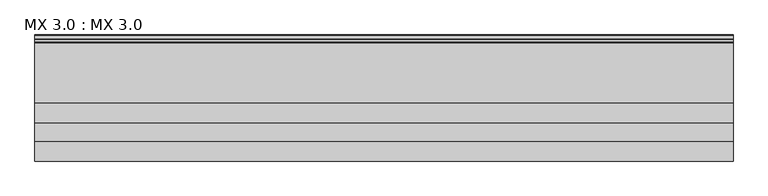
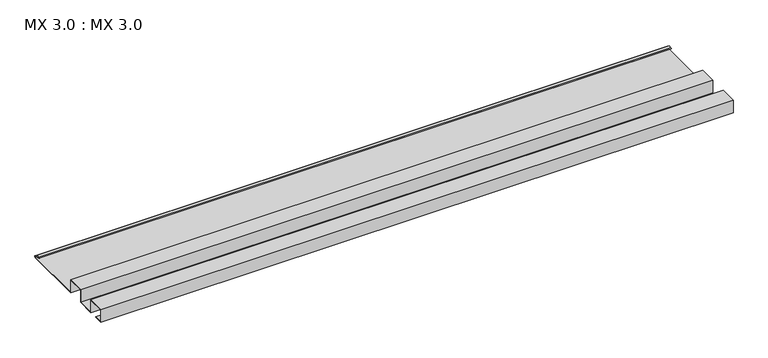
"""IFC4 building model written with IfcOpenShell, lengths in millimetres: proxy geometry, MX 3.0 : MX 3.0."""

import ifcopenshell
import ifcopenshell.guid

model = None  # the IFC model being written
_history = None  # IfcOwnerHistory: only IFC2X3 demands one
_inside = {}  # id of a spatial element -> (the spatial element, [elements in it])
_under = {}  # id of a project, library or spatial element -> (it, [spatial elements below it])
_declared = {}  # id of a project -> (the project, [libraries it declares])
_typed = {}  # id of a type object -> (the type object, [elements of that type])
_made_of = {}  # id of a material, layer set ... -> (it, [elements and type objects made of it])


def new_model(schema):
    """Start an empty IFC model of exactly this schema.

    Asked for "IFC4X3", IfcOpenShell would pick the latest addendum, in which some entities
    have other attributes; the version numbers below select the first issue.
    IFC2X3 requires an IfcOwnerHistory on every rooted entity: one is made here for all.
    """
    global model, _history
    if schema == "IFC4X3":
        model = ifcopenshell.file(schema_version=(4, 3, 0, 0))
    else:
        model = ifcopenshell.file(schema=schema)
    _inside.clear()
    _under.clear()
    _declared.clear()
    _typed.clear()
    _made_of.clear()
    _history = None
    if model.schema == "IFC2X3":
        org = make("IfcOrganization", Name="unknown")
        user = make(
            "IfcPersonAndOrganization",
            ThePerson=make("IfcPerson", FamilyName="unknown"),
            TheOrganization=org,
        )
        app = make(
            "IfcApplication",
            ApplicationDeveloper=org,
            Version="unknown",
            ApplicationFullName="unknown",
            ApplicationIdentifier="unknown",
        )
        _history = make(
            "IfcOwnerHistory",
            OwningUser=user,
            OwningApplication=app,
            ChangeAction="ADDED",
            CreationDate=0,
        )
    return model


def make(cls, **values):
    """One entity of the class cls with the attributes given. An attribute that is None is left unset."""
    return model.create_entity(
        cls, **{name: value for name, value in values.items() if value is not None}
    )


def rooted(cls, **values):
    """An entity with a GlobalId (a new one), such as an element, a storey or a relation."""
    return make(cls, GlobalId=ifcopenshell.guid.new(), OwnerHistory=_history, **values)


def si_unit(unit_type, name, prefix=None):
    """IfcSIUnit, for example si_unit("LENGTHUNIT", "METRE", prefix="MILLI")."""
    return make("IfcSIUnit", UnitType=unit_type, Prefix=prefix, Name=name)


def assignment(units):
    """IfcUnitAssignment: the units of a project."""
    return None if units is None else make("IfcUnitAssignment", Units=units)


def point(xyz):
    """IfcCartesianPoint."""
    return None if xyz is None else make("IfcCartesianPoint", Coordinates=xyz)


def direction(xyz):
    """IfcDirection."""
    return None if xyz is None else make("IfcDirection", DirectionRatios=xyz)


def frame(location, z_axis=None, x_axis=None):
    """IfcAxis2Placement3D, a coordinate frame: its origin and axes. An axis left out is left unset."""
    return make(
        "IfcAxis2Placement3D",
        Location=point(location),
        Axis=direction(z_axis),
        RefDirection=direction(x_axis),
    )


def frame_2d(location, x_axis=None):
    """IfcAxis2Placement2D, a coordinate frame in the plane: its origin and x axis."""
    return make(
        "IfcAxis2Placement2D", Location=point(location), RefDirection=direction(x_axis)
    )


def origin():
    """The frame at (0, 0, 0) with its axes left unset."""
    return frame((0.0, 0.0, 0.0))


def place(relative_to, where):
    """IfcLocalPlacement: puts the frame where relative to a parent placement (None: the world)."""
    return make(
        "IfcLocalPlacement", PlacementRelTo=relative_to, RelativePlacement=where
    )


def context(
    kind, dimensions, precision=None, world=None, true_north=None, identifier=None
):
    """IfcGeometricRepresentationContext, for example the 3D "Model" context."""
    return make(
        "IfcGeometricRepresentationContext",
        ContextIdentifier=identifier,
        ContextType=kind,
        CoordinateSpaceDimension=dimensions,
        Precision=precision,
        WorldCoordinateSystem=world,
        TrueNorth=true_north,
    )


def project(units=None, contexts=None):
    """IfcProject with its units and contexts."""
    return rooted(
        "IfcProject",
        Name="project",
        RepresentationContexts=contexts,
        UnitsInContext=assignment(units),
    )


def spatial(cls, under=None, at=None, **own):
    """A site, building, storey or space (cls), placed at a placement, below another one or the project."""
    s = rooted(cls, ObjectPlacement=at, **own)
    if under is not None:
        _under.setdefault(under.id(), (under, []))[1].append(s)
    return s


def polyline(points):
    """IfcPolyline through the points."""
    return make("IfcPolyline", Points=[point(p) for p in points])


def circle_curve(where, radius):
    """IfcCircle in the frame where."""
    return make("IfcCircle", Position=where, Radius=radius)


def trimmed(basis, trim1, trim2, sense, master):
    """IfcTrimmedCurve: the piece of a basis curve between two trims."""
    return make(
        "IfcTrimmedCurve",
        BasisCurve=basis,
        Trim1=trim1,
        Trim2=trim2,
        SenseAgreement=sense,
        MasterRepresentation=master,
    )


def segment(curve, same_sense, transition):
    """IfcCompositeCurveSegment."""
    return make(
        "IfcCompositeCurveSegment",
        Transition=transition,
        SameSense=same_sense,
        ParentCurve=curve,
    )


def composite_curve(segments, self_intersect=None):
    """IfcCompositeCurve: segments joined end to end."""
    return make("IfcCompositeCurve", Segments=segments, SelfIntersect=self_intersect)


def outline(outer, holes=None, kind="AREA"):
    """IfcArbitraryClosedProfileDef: a profile drawn as a closed curve; with holes, ...WithVoids."""
    if holes is None:
        return make("IfcArbitraryClosedProfileDef", ProfileType=kind, OuterCurve=outer)
    return make(
        "IfcArbitraryProfileDefWithVoids",
        ProfileType=kind,
        OuterCurve=outer,
        InnerCurves=holes,
    )


def extrude(swept, where, along, depth):
    """IfcExtrudedAreaSolid: the profile swept, set in the frame where, extruded along a direction by depth."""
    return make(
        "IfcExtrudedAreaSolid",
        SweptArea=swept,
        Position=where,
        ExtrudedDirection=direction(along),
        Depth=depth,
    )


def shape(context_of_items, identifier, shape_type, items):
    """IfcShapeRepresentation: the items that make up one representation, for example the "Body"."""
    return make(
        "IfcShapeRepresentation",
        ContextOfItems=context_of_items,
        RepresentationIdentifier=identifier,
        RepresentationType=shape_type,
        Items=items,
    )


def source(mapping_origin, context_of_items, identifier, shape_type, items):
    """IfcRepresentationMap: a shape defined once, which mapped items show again and again."""
    return make(
        "IfcRepresentationMap",
        MappingOrigin=mapping_origin,
        MappedRepresentation=shape(context_of_items, identifier, shape_type, items),
    )


def transform(
    local_origin,
    x_axis=None,
    y_axis=None,
    z_axis=None,
    scale=None,
    scale2=None,
    scale3=None,
    uniform=True,
):
    """IfcCartesianTransformationOperator3D, or its non-uniform kind. x_axis, y_axis, z_axis: its Axis1, 2, 3."""
    if uniform:
        return make(
            "IfcCartesianTransformationOperator3D",
            Axis1=direction(x_axis),
            Axis2=direction(y_axis),
            LocalOrigin=point(local_origin),
            Scale=scale,
            Axis3=direction(z_axis),
        )
    return make(
        "IfcCartesianTransformationOperator3DnonUniform",
        Axis1=direction(x_axis),
        Axis2=direction(y_axis),
        LocalOrigin=point(local_origin),
        Scale=scale,
        Axis3=direction(z_axis),
        Scale2=scale2,
        Scale3=scale3,
    )


def mapped(mapping_source, mapping_target):
    """IfcMappedItem: shows the shape of a source again, moved by a transform."""
    return make(
        "IfcMappedItem", MappingSource=mapping_source, MappingTarget=mapping_target
    )


def made_of(thing, what):
    """Note that an element or type object is made of a material, layer set ...; save() writes the relation."""
    if what is not None:
        _made_of.setdefault(what.id(), (what, []))[1].append(thing)
    return thing


def element(
    cls,
    number,
    at=None,
    inside=None,
    cuts=None,
    type_object=None,
    material=None,
    context=None,
    identifier="Body",
    shape_type=None,
    held_by="IfcProductDefinitionShape",
    body=None,
    shapes=None,
    **own,
):
    """One element of the class cls, such as IfcWall. Its Tag is "e" and its number.

    at: its placement. inside: the storey or other place that contains it. cuts: it is an
    opening in that element (IfcRelVoidsElement). A single representation is given by context,
    identifier, shape_type and body (its items); several are given by shapes. held_by: the class
    of the entity that holds the representations. save() writes the other relations.
    """
    e = rooted(cls, Tag="e%d" % number, ObjectPlacement=at, **own)
    if body is not None:
        shapes = [shape(context, identifier, shape_type, body)]
    if shapes is not None:
        e.Representation = make(held_by, Representations=shapes)
    if inside is not None:
        _inside.setdefault(inside.id(), (inside, []))[1].append(e)
    if cuts is not None:
        rooted(
            "IfcRelVoidsElement", RelatingBuildingElement=cuts, RelatedOpeningElement=e
        )
    if type_object is not None:
        _typed.setdefault(type_object.id(), (type_object, []))[1].append(e)
    return made_of(e, material)


def aggregate(whole, parts):
    """IfcRelAggregates: a whole, such as a stair, and the parts it consists of."""
    return rooted("IfcRelAggregates", RelatingObject=whole, RelatedObjects=parts)


def save(model, path):
    """Write the relations noted so far, then the file.

    IfcRelAggregates (storeys below a building ...), IfcRelContainedInSpatialStructure (elements
    in a storey), IfcRelDefinesByType, IfcRelAssociatesMaterial and IfcRelDeclares: one each for
    every whole, place, type object, material and project.
    """
    for whole, parts in _under.values():
        aggregate(whole, parts)
    for where, things in _inside.values():
        rooted(
            "IfcRelContainedInSpatialStructure",
            RelatedElements=things,
            RelatingStructure=where,
        )
    for kind, things in _typed.values():
        rooted("IfcRelDefinesByType", RelatedObjects=things, RelatingType=kind)
    for what, things in _made_of.values():
        rooted("IfcRelAssociatesMaterial", RelatedObjects=things, RelatingMaterial=what)
    for by, libraries in _declared.values():
        rooted("IfcRelDeclares", RelatingContext=by, RelatedDefinitions=libraries)
    model.write(path)


def mx_3_0_mx_3_0_a35b8a62(model_context):
    return source(origin(), model_context, "Body", "SweptSolid", [
        extrude(outline(composite_curve([segment(polyline([(0.0, 0.0), (0.0, 38.0), (50.0, 38.0), (50.0, 0.0), (100.0, 0.0), (100.0, 38.0), (150.0, 38.0), (150.0, 0.0), (325.0510156, 0.0)]), True, "CONTINUOUS"), segment(trimmed(circle_curve(frame_2d((324.3094696, 1.9153551)), 2.0538928), [point((325.0510156, 0.0))], [point((325.1748462, 3.778041))], True, "CARTESIAN"), True, "CONTINUOUS"), segment(polyline([(325.1748462, 3.778041), (308.7874714, 6.923107)]), True, "CONTINUOUS"), segment(trimmed(circle_curve(frame_2d((309.4078886, 8.6005442)), 1.7884947), [point((308.7874714, 6.923107))], [point((308.9525789, 10.3301125))], False, "CARTESIAN"), True, "CONTINUOUS"), segment(polyline([(308.9525789, 10.3301125), (316.459338, 11.6715995), (316.635255, 10.6871945), (309.1762081, 9.3542338)]), True, "CONTINUOUS"), segment(trimmed(circle_curve(frame_2d((309.4078886, 8.6005442)), 0.7884947), [point((309.1762081, 9.3542338))], [point((309.0735117, 7.8864603))], True, "CARTESIAN"), True, "CONTINUOUS"), segment(polyline([(309.0735117, 7.8864603), (325.4722719, 4.7392091)]), True, "CONTINUOUS"), segment(trimmed(circle_curve(frame_2d((324.3094696, 1.9153551)), 3.0538928), [point((325.4722719, 4.7392091))], [point((325.2188462, -1.0))], False, "CARTESIAN"), True, "CONTINUOUS"), segment(polyline([(325.2188462, -1.0), (149.0, -1.0), (149.0, 37.0), (101.0, 37.0), (101.0, -1.0), (49.0, -1.0), (49.0, 37.0), (1.0, 37.0), (1.0, 1.0), (25.0, 1.0), (25.0, 0.0), (0.0, 0.0)]), True, "CONTINUOUS")], self_intersect=False)), frame((0.0, 0.0, 0.0), z_axis=(1.0, 0.0, 0.0), x_axis=(0.0, 1.0, 0.0)), (0.0, 0.0, 1.0), 1812.2237727),
    ])


if __name__ == "__main__":
    model = new_model("IFC4")
    model_context = context("Model", 3, world=origin())
    ifc_project = project(units=[si_unit("LENGTHUNIT", "METRE", prefix="MILLI")], contexts=[model_context])
    site = spatial("IfcSite", under=ifc_project)
    building = spatial("IfcBuilding", under=site)
    placement = place(None, origin())
    mx_3_0_mx_3_0_shape = mx_3_0_mx_3_0_a35b8a62(model_context)
    element("IfcBuildingElementProxy", 1, Name="MX 3.0 : MX 3.0", ObjectType="MX 3.0 : MX 3.0", at=placement, inside=building, context=model_context, shape_type="MappedRepresentation", body=[
        mapped(mx_3_0_mx_3_0_shape, transform((0.0, 0.0, 0.0), x_axis=(1.0, 0.0, 0.0), y_axis=(0.0, 1.0, 0.0), z_axis=(0.0, 0.0, 1.0))),
    ])
    save(model, "model.ifc")
